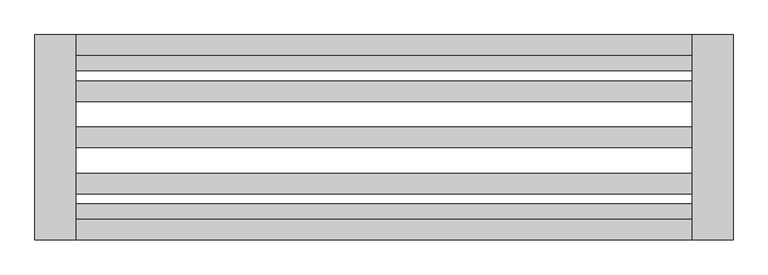
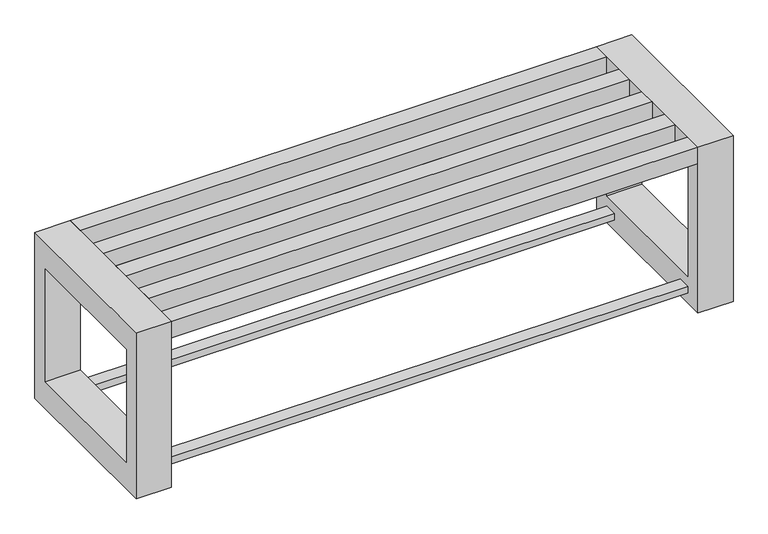
"""IFC4 building model written with IfcOpenShell, lengths in millimetres: furniture geometry."""

from ifc_helpers import new_model, si_unit, frame, origin, place, context, project, spatial, polyline, outline, extrude, source, transform, mapped, element, save


def furniture_aadcaff5(model_context):
    return source(origin(), model_context, "Body", "SweptSolid", [
        extrude(outline(polyline([(60.04328, 1136.5928463), (-1439.95672, 1136.5928463), (-1439.95672, 1174.0928463), (60.04328, 1174.0928463), (60.04328, 1136.5928463)])), frame((0.0, 0.0, 30.0), z_axis=(0.0, 0.0, 1.0), x_axis=(1.0, 0.0, 0.0)), (0.0, 0.0, 1.0), 20.0),
        extrude(outline(polyline([(60.04328, 774.0928463), (-1439.95672, 774.0928463), (-1439.95672, 811.5928463), (60.04328, 811.5928463), (60.04328, 774.0928463)])), frame((0.0, 0.0, 30.0), z_axis=(0.0, 0.0, 1.0), x_axis=(1.0, 0.0, 0.0)), (0.0, 0.0, 1.0), 20.0),
        extrude(outline(polyline([(724.0928463, 500.0), (1224.0928463, 500.0), (1224.0928463, 0.0), (724.0928463, 0.0), (724.0928463, 500.0)]), holes=[polyline([(774.0928463, 420.0), (774.0928463, 80.0), (1174.0928463, 80.0), (1174.0928463, 420.0), (774.0928463, 420.0)])]), frame((-1539.95672, 0.0, 0.0), z_axis=(1.0, 0.0, 0.0), x_axis=(0.0, 1.0, 0.0)), (0.0, 0.0, 1.0), 100.0),
        extrude(outline(polyline([(724.0928463, 500.0), (1224.0928463, 500.0), (1224.0928463, 0.0), (724.0928463, 0.0), (724.0928463, 500.0)]), holes=[polyline([(1174.0928463, 420.0), (774.0928463, 420.0), (774.0928463, 80.0), (1174.0928463, 80.0), (1174.0928463, 420.0)])]), frame((60.04328, 0.0, 0.0), z_axis=(1.0, 0.0, 0.0), x_axis=(0.0, 1.0, 0.0)), (0.0, 0.0, 1.0), 100.0),
        extrude(outline(polyline([(-1439.95672, 724.0928463), (-1439.95672, 774.0928463), (60.04328, 774.0928463), (60.04328, 724.0928463), (-1439.95672, 724.0928463)])), frame((0.0, 0.0, 450.0), z_axis=(0.0, 0.0, 1.0), x_axis=(1.0, 0.0, 0.0)), (0.0, 0.0, 1.0), 50.0),
        extrude(outline(polyline([(-1439.95672, 836.5928463), (-1439.95672, 886.5928463), (60.04328, 886.5928463), (60.04328, 836.5928463), (-1439.95672, 836.5928463)])), frame((0.0, 0.0, 450.0), z_axis=(0.0, 0.0, 1.0), x_axis=(1.0, 0.0, 0.0)), (0.0, 0.0, 1.0), 50.0),
        extrude(outline(polyline([(-1439.95672, 949.0928463), (-1439.95672, 999.0928463), (60.04328, 999.0928463), (60.04328, 949.0928463), (-1439.95672, 949.0928463)])), frame((0.0, 0.0, 450.0), z_axis=(0.0, 0.0, 1.0), x_axis=(1.0, 0.0, 0.0)), (0.0, 0.0, 1.0), 50.0),
        extrude(outline(polyline([(60.04328, 1111.5928463), (60.04328, 1061.5928463), (-1439.95672, 1061.5928463), (-1439.95672, 1111.5928463), (60.04328, 1111.5928463)])), frame((0.0, 0.0, 450.0), z_axis=(0.0, 0.0, 1.0), x_axis=(1.0, 0.0, 0.0)), (0.0, 0.0, 1.0), 50.0),
        extrude(outline(polyline([(-1439.95672, 1174.0928463), (-1439.95672, 1224.0928463), (60.04328, 1224.0928463), (60.04328, 1174.0928463), (-1439.95672, 1174.0928463)])), frame((0.0, 0.0, 450.0), z_axis=(0.0, 0.0, 1.0), x_axis=(1.0, 0.0, 0.0)), (0.0, 0.0, 1.0), 50.0),
    ])


if __name__ == "__main__":
    model = new_model("IFC4")
    model_context = context("Model", 3, world=origin())
    ifc_project = project(units=[si_unit("LENGTHUNIT", "METRE", prefix="MILLI")], contexts=[model_context])
    site = spatial("IfcSite", under=ifc_project)
    building = spatial("IfcBuilding", under=site)
    placement = place(None, origin())
    furniture_shape = furniture_aadcaff5(model_context)
    element("IfcFurniture", 1, at=placement, inside=building, context=model_context, shape_type="MappedRepresentation", body=[
        mapped(furniture_shape, transform((0.0, 0.0, 0.0), x_axis=(1.0, 0.0, 0.0), y_axis=(0.0, 1.0, 0.0), z_axis=(0.0, 0.0, 1.0))),
    ])
    save(model, "model.ifc")
